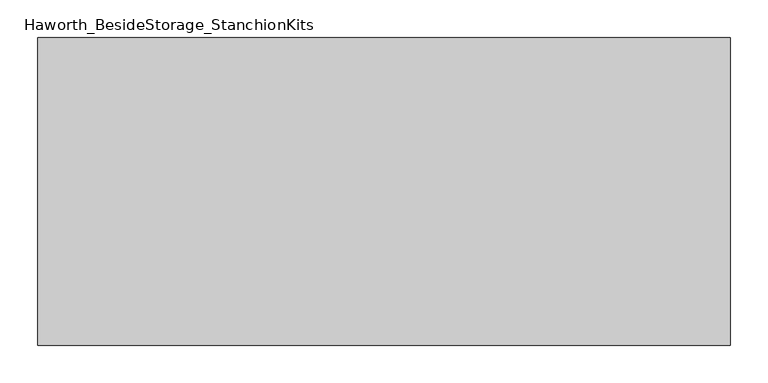
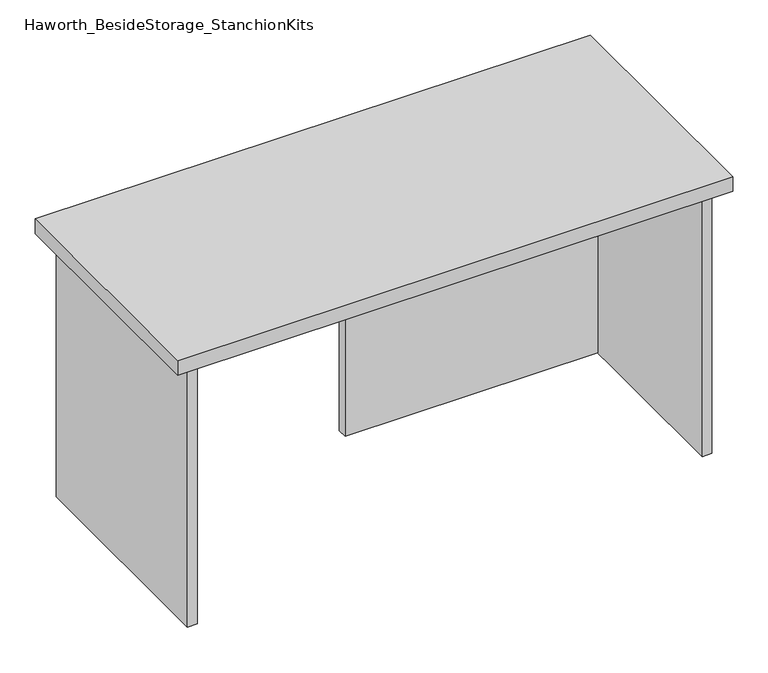
"""IFC4 building model written with IfcOpenShell, lengths in millimetres: furniture geometry, Haworth_BesideStorage_StanchionKits."""

from ifc_helpers import new_model, si_unit, frame, origin, place, context, project, spatial, polyline, outline, extrude, source, transform, mapped, element, save


def haworth_besidestorage_stanchionkits_73a9e707(model_context):
    return source(origin(), model_context, "Body", "SweptSolid", [
        extrude(outline(polyline([(619.125, 0.0), (619.125, -406.4), (-295.275, -406.4), (-295.275, 0.0), (619.125, 0.0)])), frame((0.0, 0.0, 889.0), z_axis=(0.0, 0.0, 1.0), x_axis=(1.0, 0.0, 0.0)), (0.0, 0.0, 1.0), 25.4),
        extrude(outline(polyline([(161.925, -76.2), (577.85, -76.2), (577.85, -92.075), (161.925, -92.075), (161.925, -76.2)])), frame((0.0, 0.0, 431.8), z_axis=(0.0, 0.0, 1.0), x_axis=(1.0, 0.0, 0.0)), (0.0, 0.0, 1.0), 457.2),
        extrude(outline(polyline([(593.725, -390.525), (577.85, -390.525), (577.85, -15.875), (593.725, -15.875), (593.725, -390.525)])), frame((0.0, 0.0, 431.8), z_axis=(0.0, 0.0, 1.0), x_axis=(1.0, 0.0, 0.0)), (0.0, 0.0, 1.0), 457.2),
        extrude(outline(polyline([(-254.0, -390.525), (-269.875, -390.525), (-269.875, -15.875), (-254.0, -15.875), (-254.0, -390.525)])), frame((0.0, 0.0, 431.8), z_axis=(0.0, 0.0, 1.0), x_axis=(1.0, 0.0, 0.0)), (0.0, 0.0, 1.0), 457.2),
    ])


if __name__ == "__main__":
    model = new_model("IFC4")
    model_context = context("Model", 3, world=origin())
    ifc_project = project(units=[si_unit("LENGTHUNIT", "METRE", prefix="MILLI")], contexts=[model_context])
    site = spatial("IfcSite", under=ifc_project)
    building = spatial("IfcBuilding", under=site)
    placement = place(None, origin())
    haworth_besidestorage_stanchionkits_shape = haworth_besidestorage_stanchionkits_73a9e707(model_context)
    element("IfcFurniture", 1, ObjectType="Haworth_BesideStorage_StanchionKits", at=placement, inside=building, context=model_context, shape_type="MappedRepresentation", body=[
        mapped(haworth_besidestorage_stanchionkits_shape, transform((0.0, 0.0, 0.0), x_axis=(1.0, 0.0, 0.0), y_axis=(0.0, 1.0, 0.0), z_axis=(0.0, 0.0, 1.0))),
    ])
    save(model, "model.ifc")
